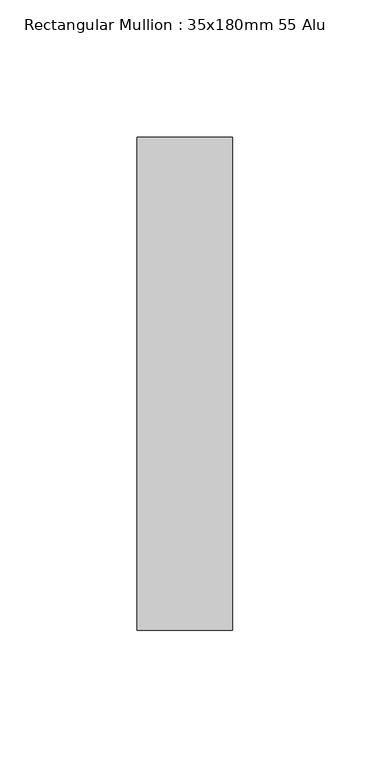
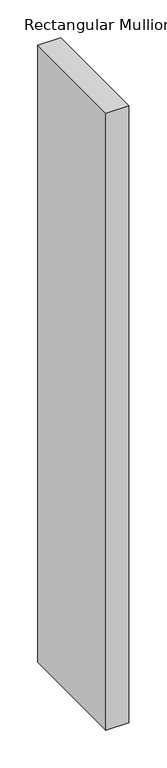
"""IFC4 building model written with IfcOpenShell, lengths in millimetres: member geometry, Rectangular Mullion : 35x180mm 55 Alu."""

from ifc_helpers import new_model, si_unit, frame, origin, place, context, project, spatial, polyline, outline, extrude, source, transform, mapped, element, save


def rectangular_mullion_35x180mm_55_alu_4f636174(model_context):
    return source(origin(), model_context, "Body", "SweptSolid", [
        extrude(outline(polyline([(0.0, 35.0), (0.0, -145.0), (-35.0, -145.0), (-35.0, 35.0), (0.0, 35.0)])), frame((0.0, 0.0, -995.0), z_axis=(0.0, 0.0, 1.0), x_axis=(1.0, 0.0, 0.0)), (0.0, 0.0, 1.0), 995.0),
    ])


if __name__ == "__main__":
    model = new_model("IFC4")
    model_context = context("Model", 3, world=origin())
    ifc_project = project(units=[si_unit("LENGTHUNIT", "METRE", prefix="MILLI")], contexts=[model_context])
    site = spatial("IfcSite", under=ifc_project)
    building = spatial("IfcBuilding", under=site)
    placement = place(None, origin())
    rectangular_mullion_35x180mm_55_alu_shape = rectangular_mullion_35x180mm_55_alu_4f636174(model_context)
    element("IfcMember", 1, ObjectType="Rectangular Mullion : 35x180mm 55 Alu", at=placement, inside=building, context=model_context, shape_type="MappedRepresentation", body=[
        mapped(rectangular_mullion_35x180mm_55_alu_shape, transform((0.0, 0.0, 0.0), x_axis=(1.0, 0.0, 0.0), y_axis=(0.0, 1.0, 0.0), z_axis=(0.0, 0.0, 1.0))),
    ])
    save(model, "model.ifc")
